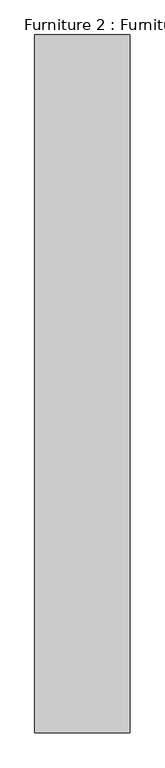
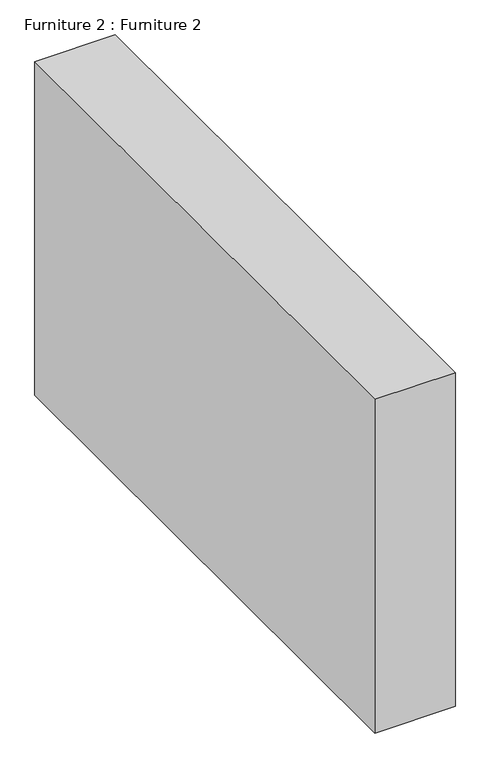
"""IFC4 building model written with IfcOpenShell, lengths in millimetres: furniture geometry, Furniture 2 : Furniture 2."""

from ifc_helpers import new_model, si_unit, origin, origin_with_axes, place, context, project, spatial, polyline, outline, extrude, source, transform, mapped, element, save


def furniture_2_furniture_2_8cfc098c(model_context):
    return source(origin(), model_context, "Body", "SweptSolid", [
        extrude(outline(polyline([(2401.202063, -327.3232576), (2681.202063, -327.3232576), (2681.202063, -2375.7623605), (2401.202063, -2375.7623605), (2401.202063, -327.3232576)])), origin_with_axes(), (0.0, 0.0, 1.0), 1226.396989),
    ])


if __name__ == "__main__":
    model = new_model("IFC4")
    model_context = context("Model", 3, world=origin())
    ifc_project = project(units=[si_unit("LENGTHUNIT", "METRE", prefix="MILLI")], contexts=[model_context])
    site = spatial("IfcSite", under=ifc_project)
    building = spatial("IfcBuilding", under=site)
    placement = place(None, origin())
    furniture_2_furniture_2_shape = furniture_2_furniture_2_8cfc098c(model_context)
    element("IfcFurniture", 1, ObjectType="Furniture 2 : Furniture 2", at=placement, inside=building, context=model_context, shape_type="MappedRepresentation", body=[
        mapped(furniture_2_furniture_2_shape, transform((0.0, 0.0, 0.0), x_axis=(1.0, 0.0, 0.0), y_axis=(0.0, 1.0, 0.0), z_axis=(0.0, 0.0, 1.0))),
    ])
    save(model, "model.ifc")
